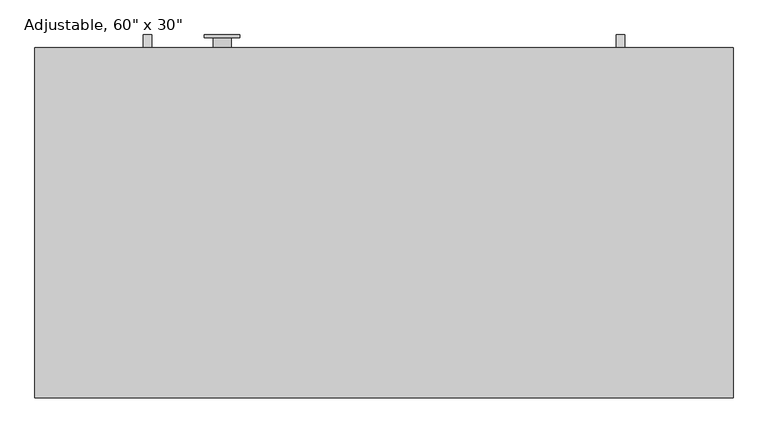
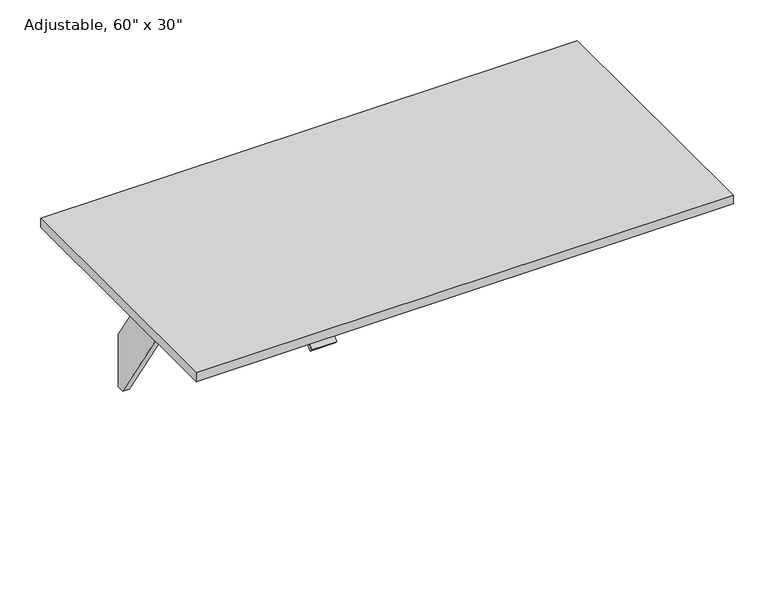
"""IFC4 building model written with IfcOpenShell, lengths in millimetres: furniture geometry."""

from ifc_helpers import new_model, si_unit, point, frame, frame_2d, origin, place, context, project, spatial, polyline, circle_curve, trimmed, segment, composite_curve, outline, extrude, source, transform, mapped, element, save
from ifc_brep_helpers import plane_surface, cylinder_surface, revolved_surface, advanced_brep


def furniture_db7c38db(model_context):
    return source(origin(), model_context, "Body", "SolidModel", [
        extrude(outline(polyline([(29.2199219, 153.5921541), (8.6276198, 153.5921541), (-345.3046137, 698.6), (-477.3090911, 698.6), (-485.7513898, 711.6), (-85.1019822, 711.6), (-93.5442809, 698.6), (-226.0682844, 698.6), (29.2199219, 305.4906355), (29.2199219, 153.5921541)])), frame((115.1244025, 0.0, 0.0), z_axis=(1.0, 0.0, 0.0), x_axis=(0.0, 1.0, 0.0)), (0.0, 0.0, 1.0), 18.0),
        extrude(outline(composite_curve([segment(polyline([(-733.1055966, 691.708916), (-717.7537239, 704.5906666)]), True, "CONTINUOUS"), segment(trimmed(circle_curve(frame_2d((-708.1119098, 693.1)), 15.0), [point((-717.7537239, 704.5906666))], [point((-708.1119098, 708.1))], False, "CARTESIAN"), True, "CONTINUOUS"), segment(polyline([(-708.1119098, 708.1), (-703.2331661, 708.1), (-703.2331661, 711.6), (-664.784231, 711.6), (-664.784231, 708.1), (-659.001686, 708.1), (-659.001686, 697.1), (-707.7479396, 697.1)]), True, "CONTINUOUS"), segment(trimmed(circle_curve(frame_2d((-707.7479396, 692.1)), 5.0), [point((-707.7479396, 697.1))], [point((-710.9618776, 695.9302222))], True, "CARTESIAN"), True, "CONTINUOUS"), segment(polyline([(-710.9618776, 695.9302222), (-726.0349329, 683.2824271), (-733.1055966, 691.708916)]), True, "CONTINUOUS")], self_intersect=False)), frame((-789.6329775, 0.0, 0.0), z_axis=(1.0, 0.0, 0.0), x_axis=(0.0, 1.0, 0.0)), (0.0, 0.0, 1.0), 68.58),
        advanced_brep(
        [(-693.7356275, -171.1428681, 364.5778173), (-693.7356275, -171.1428681, 711.6), (-693.7356275, -209.1312877, 711.6), (-693.7356275, -209.1312877, 700.4375), (-693.7356275, -193.3960503, 691.3527565), (-693.7356275, -190.4851047, 691.3527565), (-693.7356275, -190.4851047, 365.4712483), (-693.7356275, 18.612113, 365.4712483), (-693.7356275, 18.612113, 565.4962483), (-693.7356275, 23.285119, 565.4962483), (-693.7356275, 23.285119, 663.0278173), (-693.7356275, -0.6170974, 663.0278173), (-693.7356275, -0.6170974, 364.5778173), (-731.9356275, -171.1428681, 364.5778173), (-731.9356275, -0.6170974, 364.5778173), (-731.9356275, -0.6170974, 663.0278173), (-731.9356275, 23.285119, 663.0278173), (-731.9356275, 23.285119, 565.4962483), (-731.9356275, 18.612113, 565.4962483), (-731.9356275, 18.612113, 365.4712483), (-731.9356275, -190.4851047, 365.4712483), (-731.9356275, -190.4851047, 691.3527565), (-731.9356275, -193.3960503, 691.3527565), (-731.9356275, -209.1312877, 700.4375), (-731.9356275, -209.1312877, 711.6), (-731.9356275, -171.1428681, 711.6), (-750.4935537, 23.285119, 565.4962483), (-750.4935537, 29.2199219, 565.4962483), (-675.3564013, 29.2199219, 565.4962483), (-675.3564013, 23.285119, 565.4962483), (-750.4935537, 29.2199219, 678.865527), (-675.3564013, 29.2199219, 678.865527), (-750.4935537, 23.285119, 678.865527), (-675.3564013, 23.285119, 678.865527)],
        [
            (0, 1),
            (1, 2),
            (2, 3),
            (3, 4),
            (4, 5),
            (5, 6),
            (6, 7, circle_curve(frame((-693.7356275, -85.9364959, 365.4712483), z_axis=(1.0, 0.0, 0.0), x_axis=(0.0, 0.0, 1.0)), 104.5486088)),
            (7, 8),
            (8, 9),
            (9, 10),
            (10, 11),
            (11, 12),
            (12, 0, circle_curve(frame((-693.7356275, -85.8799828, 364.5778173), z_axis=(-1.0, 0.0, 0.0), x_axis=(0.0, 0.0, 1.0)), 85.2628854)),
            (13, 14, circle_curve(frame((-731.9356275, -85.8799828, 364.5778173), z_axis=(1.0, 0.0, 0.0), x_axis=(0.0, 0.0, 1.0)), 85.2628854)),
            (14, 15),
            (15, 16),
            (16, 17),
            (17, 18),
            (18, 19),
            (19, 20, circle_curve(frame((-731.9356275, -85.9364959, 365.4712483), z_axis=(-1.0, 0.0, 0.0), x_axis=(0.0, 0.0, 1.0)), 104.5486088)),
            (20, 21),
            (21, 22),
            (22, 23),
            (23, 24),
            (24, 25),
            (25, 13),
            (0, 13),
            (25, 1),
            (24, 2),
            (23, 3),
            (22, 4),
            (21, 5),
            (20, 6),
            (19, 7),
            (18, 8),
            (17, 26),
            (26, 27),
            (27, 28),
            (28, 29),
            (29, 9),
            (27, 30),
            (30, 31),
            (31, 28),
            (30, 32),
            (32, 33),
            (33, 31),
            (32, 26),
            (16, 10),
            (29, 33),
            (15, 11),
            (14, 12),
        ],
        [
            plane_surface(frame((-693.7356275, 29.2199219, 736.6), z_axis=(1.0, 0.0, 0.0), x_axis=(0.0, 1.0, 0.0))),
            plane_surface(frame((-731.9356275, 29.2199219, 736.6), z_axis=(-1.0, 0.0, 0.0), x_axis=(0.0, 1.0, 0.0))),
            plane_surface(frame((-693.7356275, -171.1428681, 364.5778173), z_axis=(0.0, 1.0, 0.0), x_axis=(-1.0, 0.0, 0.0))),
            plane_surface(frame((-693.7356275, -171.1428681, 711.6), z_axis=(0.0, 0.0, 1.0), x_axis=(-1.0, 0.0, 0.0))),
            plane_surface(frame((-693.7356275, -209.1312877, 711.6), z_axis=(0.0, -1.0, 0.0), x_axis=(-1.0, 0.0, 0.0))),
            plane_surface(frame((-693.7356275, -209.1312877, 700.4375), z_axis=(0.0, -0.4999999999999938, -0.8660254037844423), x_axis=(-1.0, 0.0, 0.0))),
            plane_surface(frame((-693.7356275, -193.3960503, 691.3527565), z_axis=(0.0, 0.0, -1.0), x_axis=(-1.0, 0.0, 0.0))),
            plane_surface(frame((-693.7356275, -190.4851047, 691.3527565), z_axis=(0.0, -1.0, 0.0), x_axis=(-1.0, 0.0, 0.0))),
            cylinder_surface(frame((-693.7356275, -85.9364959, 365.4712483), z_axis=(1.0, 0.0, 0.0), x_axis=(0.0, 0.0, 1.0)), 104.5486088),
            plane_surface(frame((-693.7356275, 18.612113, 365.4712483), z_axis=(0.0, 1.0, 0.0), x_axis=(-1.0, 0.0, 0.0))),
            plane_surface(frame((-693.7356275, 18.612113, 565.4962483), z_axis=(0.0, 0.0, -1.0), x_axis=(-1.0, 0.0, 0.0))),
            plane_surface(frame((-693.7356275, 29.2199219, 565.4962483), z_axis=(0.0, 1.0, 0.0), x_axis=(-1.0, 0.0, 0.0))),
            plane_surface(frame((-693.7356275, 29.2199219, 678.865527), z_axis=(0.0, 0.0, 1.0), x_axis=(-1.0, 0.0, 0.0))),
            plane_surface(frame((-693.7356275, 23.285119, 678.865527), z_axis=(0.0, -1.0, 0.0), x_axis=(-1.0, 0.0, 0.0))),
            plane_surface(frame((-693.7356275, 23.285119, 663.0278173), z_axis=(0.0, 0.0, 1.0), x_axis=(-1.0, 0.0, 0.0))),
            plane_surface(frame((-693.7356275, -0.6170974, 663.0278173), z_axis=(0.0, -1.0, 0.0), x_axis=(-1.0, 0.0, 0.0))),
            revolved_surface(polyline([(-731.9356275, -85.8799828, 449.8407027), (-693.7356275, -85.8799828, 449.8407027)]), (-693.7356275, -85.8799828, 364.5778173), (-1.0, 0.0, 0.0)),
            plane_surface(frame((-750.4935537, 29.2199219, 565.4962483), z_axis=(-1.0, 0.0, 0.0), x_axis=(0.0, -1.0, 0.0))),
            plane_surface(frame((-675.3564013, 29.2199219, 678.865527), z_axis=(1.0, 0.0, 0.0), x_axis=(0.0, -1.0, 0.0))),
        ],
        [
            (0, [[1, 2, 3, 4, 5, 6, 7, 8, 9, 10, 11, 12, 13]]),
            (1, [[14, 15, 16, 17, 18, 19, 20, 21, 22, 23, 24, 25, 26]]),
            (2, [[-1, 27, -26, 28]]),
            (3, [[-2, -28, -25, 29]]),
            (4, [[-3, -29, -24, 30]]),
            (5, [[-4, -30, -23, 31]]),
            (6, [[-5, -31, -22, 32]]),
            (7, [[-6, -32, -21, 33]]),
            (8, [[-7, -33, -20, 34]]),
            (9, [[-8, -34, -19, 35]]),
            (10, [[-35, -18, 36, 37, 38, 39, 40, -9]]),
            (11, [[-38, 41, 42, 43]]),
            (12, [[-42, 44, 45, 46]]),
            (13, [[-45, 47, -36, -17, 48, -10, -40, 49]]),
            (14, [[-11, -48, -16, 50]]),
            (15, [[-12, -50, -15, 51]]),
            (16, [[-13, -51, -14, -27]]),
            (17, [[-41, -37, -47, -44]]),
            (18, [[-43, -46, -49, -39]]),
        ],
    ),
        extrude(outline(polyline([(-212.0399277, 636.99764), (-222.7921538, 653.5546163), (-221.9144617, 654.4323085), (-209.8037968, 635.78352), (-304.5111146, 635.78352), (-348.0214234, 702.78352), (-365.36221, 702.78352), (-365.36221, 703.99764), (-347.36221, 703.99764), (-303.8519012, 636.99764), (-212.0399277, 636.99764)])), frame((-860.6429775, 0.0, 0.0), z_axis=(1.0, 0.0, 0.0), x_axis=(0.0, 1.0, 0.0)), (0.0, 0.0, 1.0), 975.76738),
        extrude(outline(polyline([(29.2199219, 153.5921541), (8.6276198, 153.5921541), (-345.3046137, 698.6), (-477.3090911, 698.6), (-485.7513898, 711.6), (-85.1019822, 711.6), (-93.5442809, 698.6), (-226.0682844, 698.6), (29.2199219, 305.4906355), (29.2199219, 153.5921541)])), frame((-878.6429775, 0.0, 0.0), z_axis=(1.0, 0.0, 0.0), x_axis=(0.0, 1.0, 0.0)), (0.0, 0.0, 1.0), 18.0),
        extrude(outline(polyline([(-1106.1842875, -734.501686), (-1106.1842875, 2.098314), (360.6657125, 2.098314), (360.6657125, -734.501686), (-1106.1842875, -734.501686)])), frame((0.0, 0.0, 711.6), z_axis=(0.0, 0.0, 1.0), x_axis=(1.0, 0.0, 0.0)), (0.0, 0.0, 1.0), 25.0),
    ])


if __name__ == "__main__":
    model = new_model("IFC4")
    model_context = context("Model", 3, world=origin())
    ifc_project = project(units=[si_unit("LENGTHUNIT", "METRE", prefix="MILLI")], contexts=[model_context])
    site = spatial("IfcSite", under=ifc_project)
    building = spatial("IfcBuilding", under=site)
    placement = place(None, origin())
    furniture_shape = furniture_db7c38db(model_context)
    element("IfcFurniture", 1, ObjectType="Adjustable, 60\" x 30\"", at=placement, inside=building, context=model_context, shape_type="MappedRepresentation", body=[
        mapped(furniture_shape, transform((0.0, 0.0, 0.0), x_axis=(1.0, 0.0, 0.0), y_axis=(0.0, 1.0, 0.0), z_axis=(0.0, 0.0, 1.0))),
    ])
    save(model, "model.ifc")
